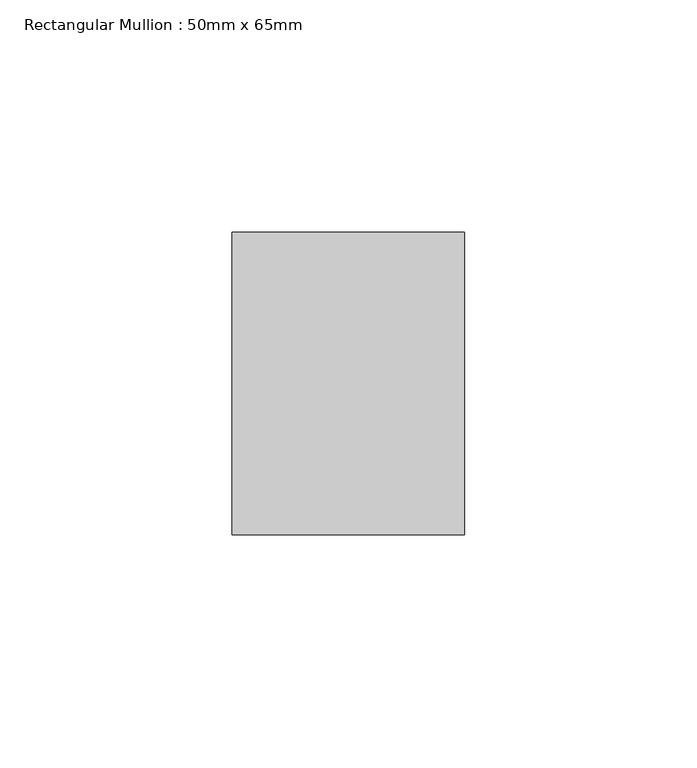
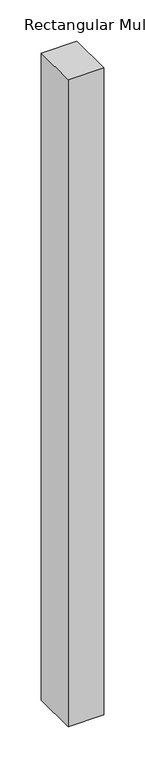
"""IFC4 building model written with IfcOpenShell, lengths in millimetres: member geometry, Rectangular Mullion : 50mm x 65mm."""

from ifc_helpers import new_model, si_unit, frame, origin, place, context, project, spatial, polyline, outline, extrude, source, transform, mapped, element, save


def rectangular_mullion_50mm_x_65mm_4ef016a5(model_context):
    return source(origin(), model_context, "Body", "SweptSolid", [
        extrude(outline(polyline([(25.0, 32.5), (25.0, -32.5), (-25.0, -32.5), (-25.0, 32.5), (25.0, 32.5)])), frame((0.0, 0.0, -957.7640598), z_axis=(0.0, 0.0, 1.0), x_axis=(1.0, 0.0, 0.0)), (0.0, 0.0, 1.0), 957.7640598),
    ])


if __name__ == "__main__":
    model = new_model("IFC4")
    model_context = context("Model", 3, world=origin())
    ifc_project = project(units=[si_unit("LENGTHUNIT", "METRE", prefix="MILLI")], contexts=[model_context])
    site = spatial("IfcSite", under=ifc_project)
    building = spatial("IfcBuilding", under=site)
    placement = place(None, origin())
    rectangular_mullion_50mm_x_65mm_shape = rectangular_mullion_50mm_x_65mm_4ef016a5(model_context)
    element("IfcMember", 1, ObjectType="Rectangular Mullion : 50mm x 65mm", at=placement, inside=building, context=model_context, shape_type="MappedRepresentation", body=[
        mapped(rectangular_mullion_50mm_x_65mm_shape, transform((0.0, 0.0, 0.0), x_axis=(1.0, 0.0, 0.0), y_axis=(0.0, 1.0, 0.0), z_axis=(0.0, 0.0, 1.0))),
    ])
    save(model, "model.ifc")
